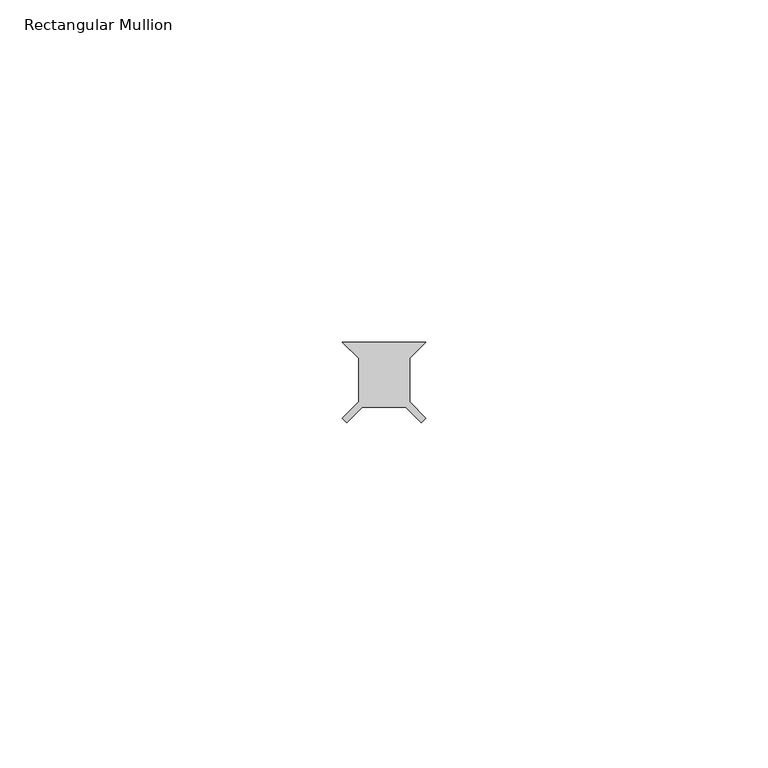
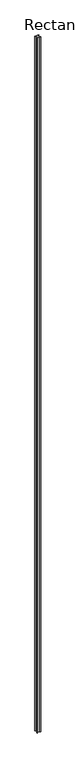
"""IFC4 building model written with IfcOpenShell, lengths in millimetres: member geometry, Rectangular Mullion."""

from ifc_helpers import new_model, si_unit, frame, origin, place, context, project, spatial, polyline, outline, extrude, source, transform, mapped, element, save


def rectangular_mullion_63ca4b01(model_context):
    return source(origin(), model_context, "Body", "SweptSolid", [
        extrude(outline(polyline([(-3.736266, 3.175), (-6.117516, 5.55625), (6.117516, 5.55625), (3.736266, 3.175), (3.736266, -3.175), (6.117516, -5.55625), (5.440008, -6.233758), (3.175, -3.96875), (-3.175, -3.96875), (-5.4822471, -6.2759971), (-6.1597551, -5.5984891), (-3.736266, -3.175), (-3.736266, 3.175)])), frame((0.0, 0.0, -2359.025), z_axis=(0.0, 0.0, 1.0), x_axis=(1.0, 0.0, 0.0)), (0.0, 0.0, 1.0), 2359.025),
    ])


if __name__ == "__main__":
    model = new_model("IFC4")
    model_context = context("Model", 3, world=origin())
    ifc_project = project(units=[si_unit("LENGTHUNIT", "METRE", prefix="MILLI")], contexts=[model_context])
    site = spatial("IfcSite", under=ifc_project)
    building = spatial("IfcBuilding", under=site)
    placement = place(None, origin())
    rectangular_mullion_shape = rectangular_mullion_63ca4b01(model_context)
    element("IfcMember", 1, ObjectType="Rectangular Mullion", at=placement, inside=building, context=model_context, shape_type="MappedRepresentation", body=[
        mapped(rectangular_mullion_shape, transform((0.0, 0.0, 0.0), x_axis=(1.0, 0.0, 0.0), y_axis=(0.0, 1.0, 0.0), z_axis=(0.0, 0.0, 1.0))),
    ])
    save(model, "model.ifc")
